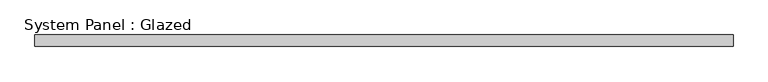
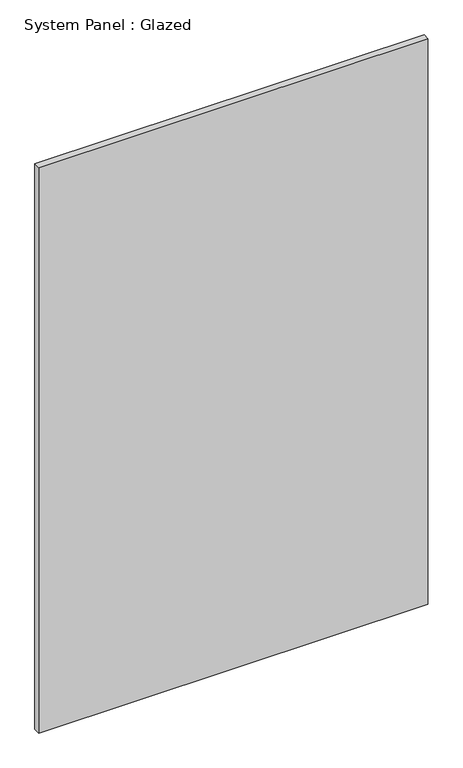
"""IFC4 building model written with IfcOpenShell, lengths in millimetres: plate geometry, System Panel : Glazed."""

from ifc_helpers import new_model, si_unit, origin, origin_with_axes, place, context, project, spatial, polyline, outline, extrude, source, transform, mapped, element, save


def system_panel_glazed_2c05ca34(model_context):
    return source(origin(), model_context, "Body", "SweptSolid", [
        extrude(outline(polyline([(757.01256, 24.5), (-757.01256, 24.5), (-757.01256, 49.5), (757.01256, 49.5), (757.01256, 24.5)])), origin_with_axes(), (0.0, 0.0, 1.0), 2325.0),
    ])


if __name__ == "__main__":
    model = new_model("IFC4")
    model_context = context("Model", 3, world=origin())
    ifc_project = project(units=[si_unit("LENGTHUNIT", "METRE", prefix="MILLI")], contexts=[model_context])
    site = spatial("IfcSite", under=ifc_project)
    building = spatial("IfcBuilding", under=site)
    placement = place(None, origin())
    system_panel_glazed_shape = system_panel_glazed_2c05ca34(model_context)
    element("IfcPlate", 1, ObjectType="System Panel : Glazed", at=placement, inside=building, context=model_context, shape_type="MappedRepresentation", body=[
        mapped(system_panel_glazed_shape, transform((0.0, 0.0, 0.0), x_axis=(1.0, 0.0, 0.0), y_axis=(0.0, 1.0, 0.0), z_axis=(0.0, 0.0, 1.0))),
    ])
    save(model, "model.ifc")
